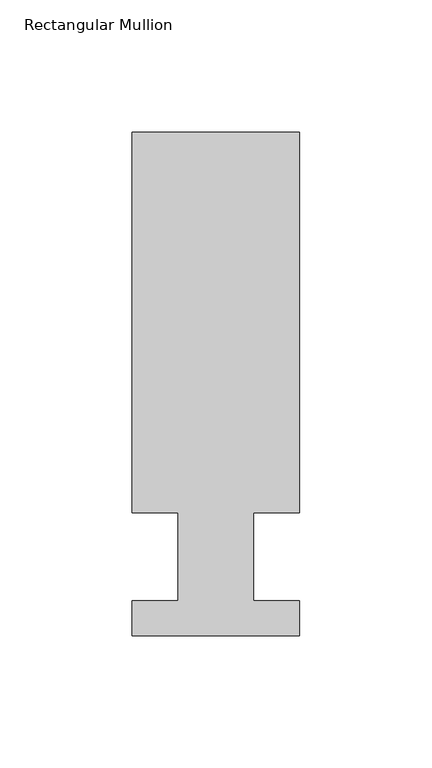
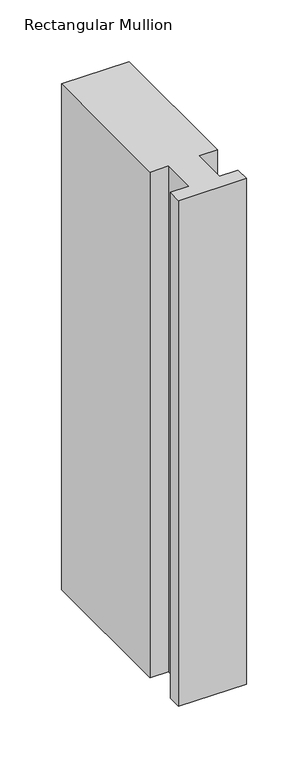
"""IFC4 building model written with IfcOpenShell, lengths in millimetres: member geometry, Rectangular Mullion."""

from ifc_helpers import new_model, si_unit, frame, origin, place, context, project, spatial, polyline, outline, extrude, source, transform, mapped, element, save


def rectangular_mullion_e774aa21(model_context):
    return source(origin(), model_context, "Body", "SweptSolid", [
        extrude(outline(polyline([(-63.5000004, 190.7881316), (-4e-07, 190.7881316), (-4e-07, 46.7447316), (-17.4625004, 46.7447316), (-17.4625004, 13.3945316), (0.0, 13.3945316), (0.0, 0.2119316), (-63.5, 0.2119316), (-63.5, 13.3945316), (-46.0248005, 13.3945316), (-46.0248005, 46.7447316), (-63.5000004, 46.7447316), (-63.5000004, 190.7881316)])), frame((0.0, 0.0, -501.6499998), z_axis=(0.0, 0.0, 1.0), x_axis=(1.0, 0.0, 0.0)), (0.0, 0.0, 1.0), 501.6499998),
    ])


if __name__ == "__main__":
    model = new_model("IFC4")
    model_context = context("Model", 3, world=origin())
    ifc_project = project(units=[si_unit("LENGTHUNIT", "METRE", prefix="MILLI")], contexts=[model_context])
    site = spatial("IfcSite", under=ifc_project)
    building = spatial("IfcBuilding", under=site)
    placement = place(None, origin())
    rectangular_mullion_shape = rectangular_mullion_e774aa21(model_context)
    element("IfcMember", 1, ObjectType="Rectangular Mullion", at=placement, inside=building, context=model_context, shape_type="MappedRepresentation", body=[
        mapped(rectangular_mullion_shape, transform((0.0, 0.0, 0.0), x_axis=(1.0, 0.0, 0.0), y_axis=(0.0, 1.0, 0.0), z_axis=(0.0, 0.0, 1.0))),
    ])
    save(model, "model.ifc")
